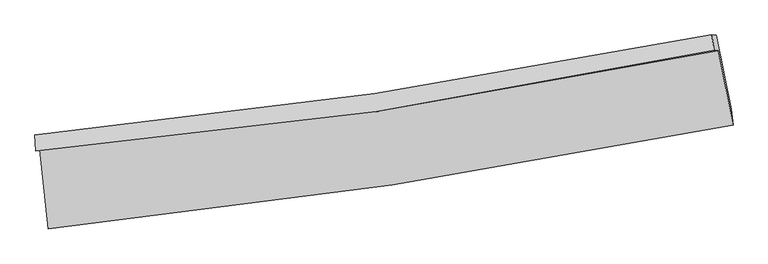
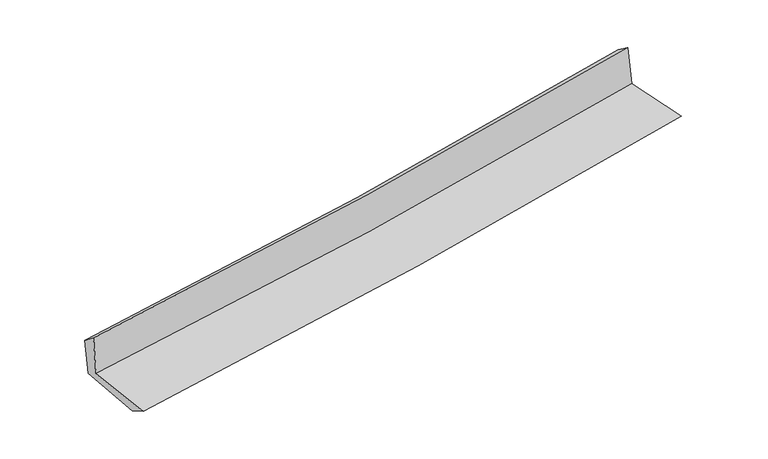
"""IFC4 building model written with IfcOpenShell, lengths in millimetres: proxy geometry."""

import ifcopenshell
import ifcopenshell.guid

model = None  # the IFC model being written
_history = None  # IfcOwnerHistory: only IFC2X3 demands one
_inside = {}  # id of a spatial element -> (the spatial element, [elements in it])
_under = {}  # id of a project, library or spatial element -> (it, [spatial elements below it])
_declared = {}  # id of a project -> (the project, [libraries it declares])
_typed = {}  # id of a type object -> (the type object, [elements of that type])
_made_of = {}  # id of a material, layer set ... -> (it, [elements and type objects made of it])


def new_model(schema):
    """Start an empty IFC model of exactly this schema.

    Asked for "IFC4X3", IfcOpenShell would pick the latest addendum, in which some entities
    have other attributes; the version numbers below select the first issue.
    IFC2X3 requires an IfcOwnerHistory on every rooted entity: one is made here for all.
    """
    global model, _history
    if schema == "IFC4X3":
        model = ifcopenshell.file(schema_version=(4, 3, 0, 0))
    else:
        model = ifcopenshell.file(schema=schema)
    _inside.clear()
    _under.clear()
    _declared.clear()
    _typed.clear()
    _made_of.clear()
    _history = None
    if model.schema == "IFC2X3":
        org = make("IfcOrganization", Name="unknown")
        user = make(
            "IfcPersonAndOrganization",
            ThePerson=make("IfcPerson", FamilyName="unknown"),
            TheOrganization=org,
        )
        app = make(
            "IfcApplication",
            ApplicationDeveloper=org,
            Version="unknown",
            ApplicationFullName="unknown",
            ApplicationIdentifier="unknown",
        )
        _history = make(
            "IfcOwnerHistory",
            OwningUser=user,
            OwningApplication=app,
            ChangeAction="ADDED",
            CreationDate=0,
        )
    return model


def make(cls, **values):
    """One entity of the class cls with the attributes given. An attribute that is None is left unset."""
    return model.create_entity(
        cls, **{name: value for name, value in values.items() if value is not None}
    )


def rooted(cls, **values):
    """An entity with a GlobalId (a new one), such as an element, a storey or a relation."""
    return make(cls, GlobalId=ifcopenshell.guid.new(), OwnerHistory=_history, **values)


def si_unit(unit_type, name, prefix=None):
    """IfcSIUnit, for example si_unit("LENGTHUNIT", "METRE", prefix="MILLI")."""
    return make("IfcSIUnit", UnitType=unit_type, Prefix=prefix, Name=name)


def assignment(units):
    """IfcUnitAssignment: the units of a project."""
    return None if units is None else make("IfcUnitAssignment", Units=units)


def point(xyz):
    """IfcCartesianPoint."""
    return None if xyz is None else make("IfcCartesianPoint", Coordinates=xyz)


def direction(xyz):
    """IfcDirection."""
    return None if xyz is None else make("IfcDirection", DirectionRatios=xyz)


def frame(location, z_axis=None, x_axis=None):
    """IfcAxis2Placement3D, a coordinate frame: its origin and axes. An axis left out is left unset."""
    return make(
        "IfcAxis2Placement3D",
        Location=point(location),
        Axis=direction(z_axis),
        RefDirection=direction(x_axis),
    )


def origin():
    """The frame at (0, 0, 0) with its axes left unset."""
    return frame((0.0, 0.0, 0.0))


def place(relative_to, where):
    """IfcLocalPlacement: puts the frame where relative to a parent placement (None: the world)."""
    return make(
        "IfcLocalPlacement", PlacementRelTo=relative_to, RelativePlacement=where
    )


def context(
    kind, dimensions, precision=None, world=None, true_north=None, identifier=None
):
    """IfcGeometricRepresentationContext, for example the 3D "Model" context."""
    return make(
        "IfcGeometricRepresentationContext",
        ContextIdentifier=identifier,
        ContextType=kind,
        CoordinateSpaceDimension=dimensions,
        Precision=precision,
        WorldCoordinateSystem=world,
        TrueNorth=true_north,
    )


def project(units=None, contexts=None):
    """IfcProject with its units and contexts."""
    return rooted(
        "IfcProject",
        Name="project",
        RepresentationContexts=contexts,
        UnitsInContext=assignment(units),
    )


def spatial(cls, under=None, at=None, **own):
    """A site, building, storey or space (cls), placed at a placement, below another one or the project."""
    s = rooted(cls, ObjectPlacement=at, **own)
    if under is not None:
        _under.setdefault(under.id(), (under, []))[1].append(s)
    return s


def shape(context_of_items, identifier, shape_type, items):
    """IfcShapeRepresentation: the items that make up one representation, for example the "Body"."""
    return make(
        "IfcShapeRepresentation",
        ContextOfItems=context_of_items,
        RepresentationIdentifier=identifier,
        RepresentationType=shape_type,
        Items=items,
    )


def source(mapping_origin, context_of_items, identifier, shape_type, items):
    """IfcRepresentationMap: a shape defined once, which mapped items show again and again."""
    return make(
        "IfcRepresentationMap",
        MappingOrigin=mapping_origin,
        MappedRepresentation=shape(context_of_items, identifier, shape_type, items),
    )


def transform(
    local_origin,
    x_axis=None,
    y_axis=None,
    z_axis=None,
    scale=None,
    scale2=None,
    scale3=None,
    uniform=True,
):
    """IfcCartesianTransformationOperator3D, or its non-uniform kind. x_axis, y_axis, z_axis: its Axis1, 2, 3."""
    if uniform:
        return make(
            "IfcCartesianTransformationOperator3D",
            Axis1=direction(x_axis),
            Axis2=direction(y_axis),
            LocalOrigin=point(local_origin),
            Scale=scale,
            Axis3=direction(z_axis),
        )
    return make(
        "IfcCartesianTransformationOperator3DnonUniform",
        Axis1=direction(x_axis),
        Axis2=direction(y_axis),
        LocalOrigin=point(local_origin),
        Scale=scale,
        Axis3=direction(z_axis),
        Scale2=scale2,
        Scale3=scale3,
    )


def mapped(mapping_source, mapping_target):
    """IfcMappedItem: shows the shape of a source again, moved by a transform."""
    return make(
        "IfcMappedItem", MappingSource=mapping_source, MappingTarget=mapping_target
    )


def made_of(thing, what):
    """Note that an element or type object is made of a material, layer set ...; save() writes the relation."""
    if what is not None:
        _made_of.setdefault(what.id(), (what, []))[1].append(thing)
    return thing


def element(
    cls,
    number,
    at=None,
    inside=None,
    cuts=None,
    type_object=None,
    material=None,
    context=None,
    identifier="Body",
    shape_type=None,
    held_by="IfcProductDefinitionShape",
    body=None,
    shapes=None,
    **own,
):
    """One element of the class cls, such as IfcWall. Its Tag is "e" and its number.

    at: its placement. inside: the storey or other place that contains it. cuts: it is an
    opening in that element (IfcRelVoidsElement). A single representation is given by context,
    identifier, shape_type and body (its items); several are given by shapes. held_by: the class
    of the entity that holds the representations. save() writes the other relations.
    """
    e = rooted(cls, Tag="e%d" % number, ObjectPlacement=at, **own)
    if body is not None:
        shapes = [shape(context, identifier, shape_type, body)]
    if shapes is not None:
        e.Representation = make(held_by, Representations=shapes)
    if inside is not None:
        _inside.setdefault(inside.id(), (inside, []))[1].append(e)
    if cuts is not None:
        rooted(
            "IfcRelVoidsElement", RelatingBuildingElement=cuts, RelatedOpeningElement=e
        )
    if type_object is not None:
        _typed.setdefault(type_object.id(), (type_object, []))[1].append(e)
    return made_of(e, material)


def aggregate(whole, parts):
    """IfcRelAggregates: a whole, such as a stair, and the parts it consists of."""
    return rooted("IfcRelAggregates", RelatingObject=whole, RelatedObjects=parts)


def save(model, path):
    """Write the relations noted so far, then the file.

    IfcRelAggregates (storeys below a building ...), IfcRelContainedInSpatialStructure (elements
    in a storey), IfcRelDefinesByType, IfcRelAssociatesMaterial and IfcRelDeclares: one each for
    every whole, place, type object, material and project.
    """
    for whole, parts in _under.values():
        aggregate(whole, parts)
    for where, things in _inside.values():
        rooted(
            "IfcRelContainedInSpatialStructure",
            RelatedElements=things,
            RelatingStructure=where,
        )
    for kind, things in _typed.values():
        rooted("IfcRelDefinesByType", RelatedObjects=things, RelatingType=kind)
    for what, things in _made_of.values():
        rooted("IfcRelAssociatesMaterial", RelatedObjects=things, RelatingMaterial=what)
    for by, libraries in _declared.values():
        rooted("IfcRelDeclares", RelatingContext=by, RelatedDefinitions=libraries)
    model.write(path)


def plane_surface(at):
    """IfcPlane: the flat surface through the origin of the frame at, square to its z axis."""
    return make("IfcPlane", Position=at)


def spline_curve(degree, points, multiplicities, knots, weights=None):
    """IfcBSplineCurveWithKnots; with weights, IfcRationalBSplineCurveWithKnots."""
    own = dict(
        Degree=degree,
        ControlPointsList=[point(p) for p in points],
        CurveForm="UNSPECIFIED",
        ClosedCurve=False,
        SelfIntersect=False,
        KnotMultiplicities=multiplicities,
        Knots=knots,
        KnotSpec="UNSPECIFIED",
    )
    if weights is None:
        return make("IfcBSplineCurveWithKnots", **own)
    return make("IfcRationalBSplineCurveWithKnots", WeightsData=weights, **own)


def spline_surface(u_degree, v_degree, points, u_multiplicities, v_multiplicities, u_knots, v_knots, weights=None):
    """IfcBSplineSurfaceWithKnots; with weights, IfcRationalBSplineSurfaceWithKnots. points: one row for each step in u."""
    own = dict(
        UDegree=u_degree,
        VDegree=v_degree,
        ControlPointsList=[[point(p) for p in row] for row in points],
        SurfaceForm="UNSPECIFIED",
        UClosed=False,
        VClosed=False,
        SelfIntersect=False,
        UMultiplicities=u_multiplicities,
        VMultiplicities=v_multiplicities,
        UKnots=u_knots,
        VKnots=v_knots,
        KnotSpec="UNSPECIFIED",
    )
    if weights is None:
        return make("IfcBSplineSurfaceWithKnots", **own)
    return make("IfcRationalBSplineSurfaceWithKnots", WeightsData=weights, **own)


def advanced_brep(points, edges, surfaces, faces):
    """IfcAdvancedBrep: a solid bounded by faces that lie on surfaces and meet in shared edges.

    An edge is (start, end): straight between two places in points (the first is 0);
    or (start, end, curve); or (start, end, curve, False) where it runs against its curve.
    A face is (place in surfaces, loops), or (place, loops, False) where it looks against
    its surface's normal. A loop lists edges by number (the first is 1), with a minus sign
    where the edge is run from its end to its start. The first loop is the outer one.
    """
    corners = [point(p) for p in points]
    vertices = [make("IfcVertexPoint", VertexGeometry=c) for c in corners]
    made = []
    for start, end, *more in edges:
        made.append(
            make(
                "IfcEdgeCurve",
                EdgeStart=vertices[start],
                EdgeEnd=vertices[end],
                EdgeGeometry=more[0] if more else make("IfcPolyline", Points=[corners[start], corners[end]]),
                SameSense=more[1] if len(more) > 1 else True,
            )
        )
    hull = []
    for where, loops, *sense in faces:
        bounds = []
        for j, loop in enumerate(loops):
            ring = [make("IfcOrientedEdge", EdgeElement=made[abs(k) - 1], Orientation=k > 0) for k in loop]
            bounds.append(
                make(
                    "IfcFaceOuterBound" if j == 0 else "IfcFaceBound",
                    Bound=make("IfcEdgeLoop", EdgeList=ring),
                    Orientation=True,
                )
            )
        hull.append(make("IfcAdvancedFace", Bounds=bounds, FaceSurface=surfaces[where], SameSense=sense[0] if sense else True))
    return make("IfcAdvancedBrep", Outer=make("IfcClosedShell", CfsFaces=hull))


def generic_models_4dd2f873(model_context):
    return source(origin(), model_context, "Body", "AdvancedBrep", [
        advanced_brep(
        [(-3004.23203, -1904.116831, 1618.1985562), (-2925.8376263, -2600.4229987, 1605.9536475), (3079.5921245, -1687.3723815, 2133.2367994), (2949.6977518, -1036.5700512, 2132.615267), (-3038.4632119, -1919.6582215, 2022.5280624), (2912.3019645, -1031.7194256, 2527.1192349), (-3044.6082089, -1776.9017042, 1913.4055985), (2894.2681981, -897.1663541, 2431.4509577), (-3011.8226261, -1781.3511576, 1550.2890504), (2930.0632031, -901.5485644, 2053.2703853), (-2936.6263843, -2427.6495257, 1511.5756539), (3062.5947299, -1549.4357524, 2019.0277128)],
        [
            (0, 1),
            (1, 2, spline_curve(3, [(-2925.8376263, -2600.4229987, 1605.9536475), (-1918.011814771, -2497.458964881, 1703.065120565), (-913.428578988, -2369.845263544, 1795.578358103), (1088.375660003, -2065.451895359, 1971.331357158), (2085.602341279, -1888.715390805, 2054.579170114), (3079.5921245, -1687.3723815, 2133.2367994)], [4, 2, 4], [0.0, 9.96260876545674, 19.91649121523103])),
            (2, 3),
            (3, 0, spline_curve(3, [(2949.6977518, -1036.5700512, 2132.615267), (1965.090890359, -1237.36902177, 2058.374579484), (976.845629482, -1410.044723735, 1978.407469018), (-1007.79124867, -1699.276315108, 1806.94527684), (-2004.189248869, -1815.78287321, 1715.440150233), (-3004.23203, -1904.116831, 1618.1985562)], [4, 2, 4], [0.0, 9.95388244977429, 19.91649121523103])),
            (4, 0),
            (3, 5),
            (5, 4, spline_curve(3, [(2912.3019645, -1031.7194256, 2527.1192349), (1928.947198836, -1242.862728357, 2461.68818264), (941.591746678, -1422.410708173, 2386.945897185), (-1041.989627802, -1718.44572896, 2218.765172833), (-2038.222567571, -1834.877347567, 2125.310400819), (-3038.4632119, -1919.6582215, 2022.5280624)], [4, 2, 4], [0.0, 9.906457263546416, 19.821599266320224])),
            (6, 4),
            (5, 7),
            (7, 6, spline_curve(3, [(2894.2681981, -897.1663541, 2431.4509577), (1911.78999919, -1094.52333479, 2354.930480204), (925.862885301, -1266.492111954, 2273.520852943), (-1053.756534113, -1559.781762308, 2100.847642713), (-2047.454888795, -1681.058101909, 2009.575483616), (-3044.6082089, -1776.9017042, 1913.4055985)], [4, 2, 4], [0.0, 9.89551031731266, 19.799695776943253])),
            (8, 6),
            (7, 9),
            (9, 8, spline_curve(3, [(2930.0632031, -901.5485644, 2053.2703853), (1947.530072851, -1098.9926036, 1974.191700327), (961.324915666, -1271.010527755, 1892.756644322), (-1019.297253227, -1564.322659557, 1725.100332664), (-2013.720705635, -1685.572266337, 1638.874943652), (-3011.8226261, -1781.3511576, 1550.2890504)], [4, 2, 4], [0.0, 9.886106604193664, 19.780880106709045])),
            (10, 8),
            (9, 11),
            (11, 10, spline_curve(3, [(3062.5947299, -1549.4357524, 2019.0277128), (2066.826540285, -1727.238975751, 1940.262759913), (1069.227199761, -1889.299903387, 1858.612404652), (-930.509959864, -2182.065441838, 1689.466779999), (-1932.65099028, -2312.742438569, 1601.966448553), (-2936.6263843, -2427.6495257, 1511.5756539)], [4, 2, 4], [0.0, 9.932599004553994, 19.87390566613511])),
            (1, 10),
            (11, 2),
        ],
        [
            spline_surface(3, 3, [[(-3004.23203, -1904.116831, 1618.1985562), (-2004.189248754, -1815.782873277, 1715.440150395), (-1007.791248807, -1699.276315161, 1806.945276871), (976.84562962, -1410.044723682, 1978.407468987), (1965.090890259, -1237.369021909, 2058.37457944), (2949.6977518, -1036.5700512, 2132.615267)], [(-2978.100562094, -2136.218886891, 1614.116919965), (-1975.463437408, -2043.008237122, 1711.315140449), (-976.33702554, -1922.799297982, 1803.156303968), (1014.022306422, -1628.513780852, 1976.048765013), (2005.261373916, -1454.48447818, 2057.109442986), (2992.995876032, -1253.504161319, 2132.822444455)], [(-2951.969094206, -2368.320942809, 1610.035283735), (-1946.737626079, -2270.233600995, 1707.190130508), (-944.882802276, -2146.322280847, 1799.367331082), (1051.198983222, -1846.982838065, 1973.690061056), (2045.431857577, -1671.599934392, 2055.844306568), (3036.294000268, -1470.438271381, 2133.029621945)], [(-2925.8376263, -2600.4229987, 1605.9536475), (-1918.011814733, -2497.45896484, 1703.065120562), (-913.428579009, -2369.845263668, 1795.578358179), (1088.375660024, -2065.451895235, 1971.331357082), (2085.602341234, -1888.715390662, 2054.579170114), (3079.5921245, -1687.3723815, 2133.2367994)]], [4, 4], [4, 2, 4], [0.0, 2.201449564990029], [0.0, 9.96260876545674, 19.91649121523103]),
            spline_surface(3, 3, [[(-3038.4632119, -1919.6582215, 2022.5280624), (-2038.222567676, -1834.87734753, 2125.310400658), (-1041.989627791, -1718.445728841, 2218.765172752), (941.591746668, -1422.410708292, 2386.945897265), (1928.947198915, -1242.862728349, 2461.688182647), (2912.3019645, -1031.7194256, 2527.1192349)], [(-3027.052817932, -1914.477758005, 1887.751560353), (-2026.878128034, -1828.512522784, 1988.686983923), (-1030.590168109, -1712.055924301, 2081.491874121), (953.343041005, -1418.288713441, 2250.766421168), (1940.995096037, -1241.031492853, 2327.250314921), (2924.767226941, -1033.336300784, 2395.617912276)], [(-3015.642423968, -1909.297294495, 1752.975058247), (-2015.533688396, -1822.147698023, 1852.06356713), (-1019.190708488, -1705.666119702, 1944.218575503), (965.094335282, -1414.166718532, 2114.586945084), (1953.042993136, -1239.200257405, 2192.812447166), (2937.232489359, -1034.953176016, 2264.116589624)], [(-3004.23203, -1904.116831, 1618.1985562), (-2004.189248754, -1815.782873277, 1715.440150395), (-1007.791248807, -1699.276315161, 1806.945276871), (976.84562962, -1410.044723682, 1978.407468987), (1965.090890259, -1237.369021909, 2058.37457944), (2949.6977518, -1036.5700512, 2132.615267)]], [4, 4], [4, 2, 4], [0.0, 1.35154162304787], [0.0, 9.915142002773807, 19.821599266320224]),
            spline_surface(3, 3, [[(-3044.6082089, -1776.9017042, 1913.4055985), (-2047.454888936, -1681.058102011, 2009.575483592), (-1053.756534006, -1559.781762421, 2100.847642709), (925.862885194, -1266.492111841, 2273.520852947), (1911.789999258, -1094.523334697, 2354.930480266), (2894.2681981, -897.1663541, 2431.4509577)], [(-3042.559876569, -1824.487209971, 1949.779753117), (-2044.377448518, -1732.331183855, 2048.153789264), (-1049.834231947, -1612.669751232, 2140.153486069), (931.105839005, -1318.464977328, 2311.329201065), (1917.509065805, -1143.969799234, 2390.516381073), (2900.279453561, -942.01737792, 2463.340383447)], [(-3040.511544231, -1872.072715729, 1986.153907783), (-2041.300008094, -1783.604265686, 2086.732094985), (-1045.911929849, -1665.557740031, 2179.459329392), (936.348792856, -1370.437842805, 2349.137549147), (1923.228132368, -1193.416263812, 2426.102281839), (2906.290709039, -986.86840178, 2495.229809153)], [(-3038.4632119, -1919.6582215, 2022.5280624), (-2038.222567676, -1834.87734753, 2125.310400658), (-1041.989627791, -1718.445728841, 2218.765172752), (941.591746668, -1422.410708292, 2386.945897265), (1928.947198915, -1242.862728349, 2461.688182647), (2912.3019645, -1031.7194256, 2527.1192349)]], [4, 4], [4, 2, 4], [0.0, 0.6421583705528651], [0.0, 9.904185459630593, 19.799695776943253]),
            spline_surface(3, 3, [[(-3011.8226261, -1781.3511576, 1550.2890504), (-2013.720705513, -1685.572266275, 1638.87494367), (-1019.297253064, -1564.322659396, 1725.100332692), (961.324915502, -1271.010527916, 1892.756644295), (1947.530072786, -1098.992603757, 1974.191700263), (2930.0632031, -901.5485644, 2053.2703853)], [(-3022.751153714, -1779.868006463, 1671.327899755), (-2024.965433335, -1684.067544851, 1762.441790299), (-1030.78368005, -1562.809027057, 1850.349436021), (949.504238728, -1269.50438921, 2019.678047169), (1935.616714932, -1097.502847431, 2101.104626913), (2918.131534755, -900.087827661, 2179.330576082)], [(-3033.679681286, -1778.384855337, 1792.366749145), (-2036.210161114, -1682.562823436, 1886.008636963), (-1042.27010702, -1561.295394761, 1975.59853938), (937.683561969, -1267.998250547, 2146.599450072), (1923.703357112, -1096.013091022, 2228.017553616), (2906.199866445, -898.627090839, 2305.390766918)], [(-3044.6082089, -1776.9017042, 1913.4055985), (-2047.454888936, -1681.058102011, 2009.575483592), (-1053.756534006, -1559.781762421, 2100.847642709), (925.862885194, -1266.492111841, 2273.520852947), (1911.789999258, -1094.523334697, 2354.930480266), (2894.2681981, -897.1663541, 2431.4509577)]], [4, 4], [4, 2, 4], [0.0, 1.246367240485016], [0.0, 9.894773502515381, 19.780880106709045]),
            spline_surface(3, 3, [[(-2936.6263843, -2427.6495257, 1511.5756539), (-1932.650990355, -2312.742438427, 1601.966448633), (-930.509959726, -2182.065441739, 1689.466779853), (1069.227199623, -1889.299903486, 1858.612404797), (2066.826540386, -1727.238975701, 1940.262759919), (3062.5947299, -1549.4357524, 2019.0277128)], [(-2961.691798218, -2212.216736344, 1524.480119401), (-1959.674228725, -2103.685714388, 1614.269280313), (-960.105724149, -1976.151180964, 1701.3446308), (1033.259771605, -1683.203444969, 1869.993817964), (2027.061051199, -1517.823518363, 1951.57240671), (3018.417554313, -1333.473356377, 2030.441936977)], [(-2986.757212182, -1996.783946956, 1537.384584899), (-1986.697467143, -1894.628990315, 1626.57211199), (-989.70148864, -1770.23692017, 1713.222481745), (997.29234352, -1477.106986433, 1881.375231128), (1987.295561974, -1308.408061095, 1962.882053472), (2974.240378687, -1117.510960423, 2041.856161123)], [(-3011.8226261, -1781.3511576, 1550.2890504), (-2013.720705513, -1685.572266275, 1638.87494367), (-1019.297253064, -1564.322659396, 1725.100332692), (961.324915502, -1271.010527916, 1892.756644295), (1947.530072786, -1098.992603757, 1974.191700263), (2930.0632031, -901.5485644, 2053.2703853)]], [4, 4], [4, 2, 4], [0.0, 2.056306588594358], [0.0, 9.941306661581114, 19.87390566613511]),
            spline_surface(3, 3, [[(-2925.8376263, -2600.4229987, 1605.9536475), (-1918.011814733, -2497.45896484, 1703.065120562), (-913.428579009, -2369.845263668, 1795.578358179), (1088.375660024, -2065.451895235, 1971.331357082), (2085.602341234, -1888.715390662, 2054.579170114), (3079.5921245, -1687.3723815, 2133.2367994)], [(-2929.433878973, -2542.831841025, 1574.494316309), (-1922.891539946, -2435.886789361, 1669.365563261), (-919.122372606, -2307.251989691, 1760.207832078), (1081.992839865, -2006.734564652, 1933.758372994), (2079.343740949, -1834.889919014, 2016.473700045), (3073.926326298, -1641.393505139, 2095.167103863)], [(-2933.030131627, -2485.240683375, 1543.034985091), (-1927.771265142, -2374.314613907, 1635.666005934), (-924.816166129, -2244.658715715, 1724.837305955), (1075.610019782, -1948.01723407, 1896.185388885), (2073.085140671, -1781.064447349, 1978.368229988), (3068.260528102, -1595.414628761, 2057.097408337)], [(-2936.6263843, -2427.6495257, 1511.5756539), (-1932.650990355, -2312.742438427, 1601.966448633), (-930.509959726, -2182.065441739, 1689.466779853), (1069.227199623, -1889.299903486, 1858.612404797), (2066.826540386, -1727.238975701, 1940.262759919), (3062.5947299, -1549.4357524, 2019.0277128)]], [4, 4], [4, 2, 4], [0.0, 0.6991548149602809], [0.0, 9.99829053274487, 19.987823495908557]),
            plane_surface(frame((2971.419662, -1183.9687549, 2216.1200595), z_axis=(0.9766454422621872, 0.19501589209454373, 0.09018027466728153), x_axis=(-0.09422314926974458, 0.011535286752113086, 0.9954842717498043))),
            plane_surface(frame((-2993.5983479, -2068.3500731, 1703.6584282), z_axis=(-0.9900338372760239, -0.10991578234949734, -0.08804272734876836), x_axis=(-0.11186219498498981, 0.9935701096524181, 0.017472450841885246))),
        ],
        [
            (0, [[1, 2, 3, 4]]),
            (1, [[5, -4, 6, 7]]),
            (2, [[8, -7, 9, 10]]),
            (3, [[11, -10, 12, 13]]),
            (4, [[14, -13, 15, 16]]),
            (5, [[17, -16, 18, -2]]),
            (6, [[-12, -9, -6, -3, -18, -15]]),
            (7, [[-1, -5, -8, -11, -14, -17]]),
        ],
    ),
    ])


if __name__ == "__main__":
    model = new_model("IFC4")
    model_context = context("Model", 3, world=origin())
    ifc_project = project(units=[si_unit("LENGTHUNIT", "METRE", prefix="MILLI")], contexts=[model_context])
    site = spatial("IfcSite", under=ifc_project)
    building = spatial("IfcBuilding", under=site)
    placement = place(None, origin())
    generic_models_shape = generic_models_4dd2f873(model_context)
    element("IfcBuildingElementProxy", 1, Name="Generic Models", at=placement, inside=building, context=model_context, shape_type="MappedRepresentation", body=[
        mapped(generic_models_shape, transform((0.0, 0.0, 0.0), x_axis=(1.0, 0.0, 0.0), y_axis=(0.0, 1.0, 0.0), z_axis=(0.0, 0.0, 1.0))),
    ])
    save(model, "model.ifc")
